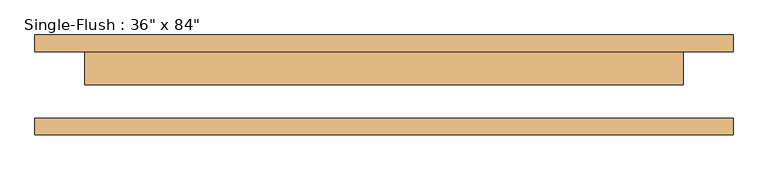
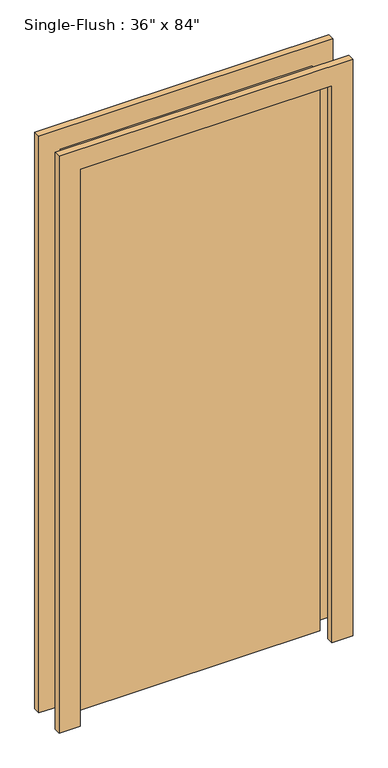
"""IFC4 building model written with IfcOpenShell, lengths in millimetres: door geometry."""

from ifc_helpers import new_model, si_unit, frame, origin, origin_with_axes, place, context, project, spatial, polyline, outline, extrude, source, transform, mapped, element, save


def door_048588e9(model_context):
    return source(origin(), model_context, "Body", "SweptSolid", [
        extrude(outline(polyline([(2209.8, -533.4), (0.0, -533.4), (0.0, -457.2), (2133.6, -457.2), (2133.6, 457.2), (0.0, 457.2), (0.0, 533.4), (2209.8, 533.4), (2209.8, -533.4)])), frame((0.0, 50.8, 0.0), z_axis=(0.0, 1.0, 0.0), x_axis=(0.0, 0.0, 1.0)), (0.0, 0.0, 1.0), 25.4),
        extrude(outline(polyline([(2209.8, 533.4), (2209.8, -533.4), (0.0, -533.4), (0.0, -457.2), (2133.6, -457.2), (2133.6, 457.2), (0.0, 457.2), (0.0, 533.4), (2209.8, 533.4)])), frame((0.0, -76.2, 0.0), z_axis=(0.0, 1.0, 0.0), x_axis=(0.0, 0.0, 1.0)), (0.0, 0.0, 1.0), 25.4),
        extrude(outline(polyline([(457.2, 0.0), (-457.2, 0.0), (-457.2, 50.8), (457.2, 50.8), (457.2, 0.0)])), origin_with_axes(), (0.0, 0.0, 1.0), 2133.6),
    ])


if __name__ == "__main__":
    model = new_model("IFC4")
    model_context = context("Model", 3, world=origin())
    ifc_project = project(units=[si_unit("LENGTHUNIT", "METRE", prefix="MILLI")], contexts=[model_context])
    site = spatial("IfcSite", under=ifc_project)
    building = spatial("IfcBuilding", under=site)
    placement = place(None, origin())
    door_shape = door_048588e9(model_context)
    element("IfcDoor", 1, ObjectType="Single-Flush : 36\" x 84\"", at=placement, inside=building, context=model_context, shape_type="MappedRepresentation", body=[
        mapped(door_shape, transform((0.0, 0.0, 0.0), x_axis=(1.0, 0.0, 0.0), y_axis=(0.0, 1.0, 0.0), z_axis=(0.0, 0.0, 1.0))),
    ])
    save(model, "model.ifc")
